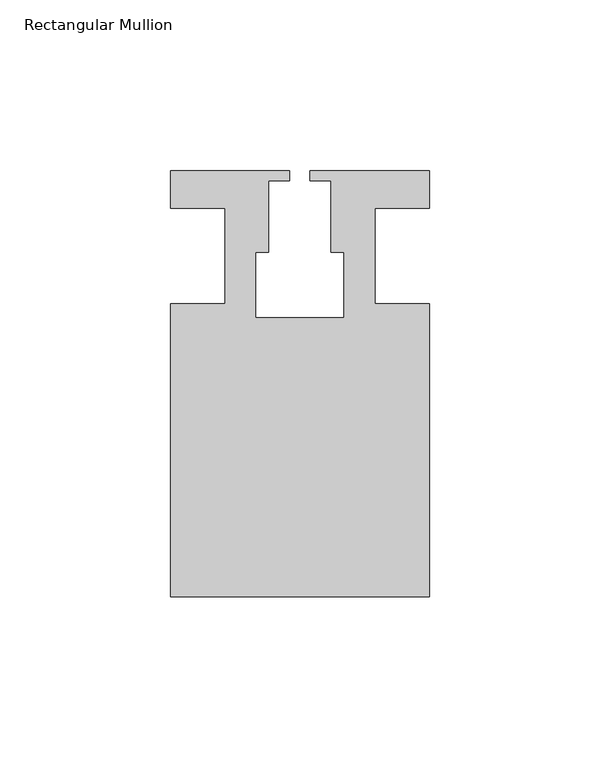
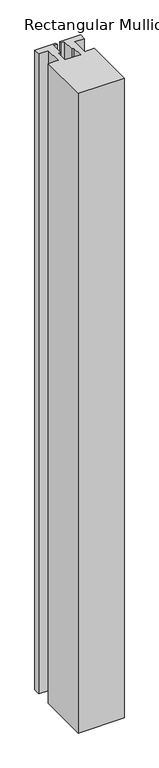
"""IFC4 building model written with IfcOpenShell, lengths in millimetres: member geometry, Rectangular Mullion."""

from ifc_helpers import new_model, si_unit, frame, origin, place, context, project, spatial, polyline, outline, extrude, source, transform, mapped, element, save


def rectangular_mullion_49225e4e(model_context):
    return source(origin(), model_context, "Body", "SweptSolid", [
        extrude(outline(polyline([(37.9999914, -99.9960123), (-37.9999896, -99.9960123), (-37.9999896, -13.9960123), (-21.9999633, -13.9960123), (-21.9999633, 14.0039877), (-37.9999896, 14.0039877), (-37.9999896, 25.0039877), (-2.9999896, 25.0039877), (-2.9999896, 22.0039877), (-9.1999633, 22.0039877), (-9.1999633, 1.0039877), (-12.9999633, 1.0039877), (-12.9999633, -18.1960075), (12.9999651, -18.1960075), (12.9999651, 1.0039877), (9.1999651, 1.0039877), (9.1999651, 22.0039877), (2.9999651, 22.0039877), (2.9999651, 25.0039877), (37.9999896, 25.0039877), (37.9999896, 14.0039877), (21.9999651, 14.0039877), (21.9999651, -13.9960123), (37.9999914, -13.9960123), (37.9999914, -99.9960123)])), frame((0.0, 0.0, -1124.0099627), z_axis=(0.0, 0.0, 1.0), x_axis=(1.0, 0.0, 0.0)), (0.0, 0.0, 1.0), 1124.0099627),
    ])


if __name__ == "__main__":
    model = new_model("IFC4")
    model_context = context("Model", 3, world=origin())
    ifc_project = project(units=[si_unit("LENGTHUNIT", "METRE", prefix="MILLI")], contexts=[model_context])
    site = spatial("IfcSite", under=ifc_project)
    building = spatial("IfcBuilding", under=site)
    placement = place(None, origin())
    rectangular_mullion_shape = rectangular_mullion_49225e4e(model_context)
    element("IfcMember", 1, ObjectType="Rectangular Mullion", at=placement, inside=building, context=model_context, shape_type="MappedRepresentation", body=[
        mapped(rectangular_mullion_shape, transform((0.0, 0.0, 0.0), x_axis=(1.0, 0.0, 0.0), y_axis=(0.0, 1.0, 0.0), z_axis=(0.0, 0.0, 1.0))),
    ])
    save(model, "model.ifc")
